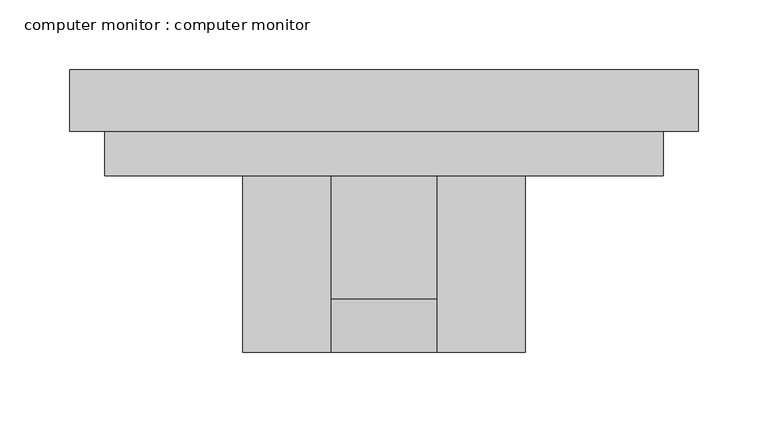
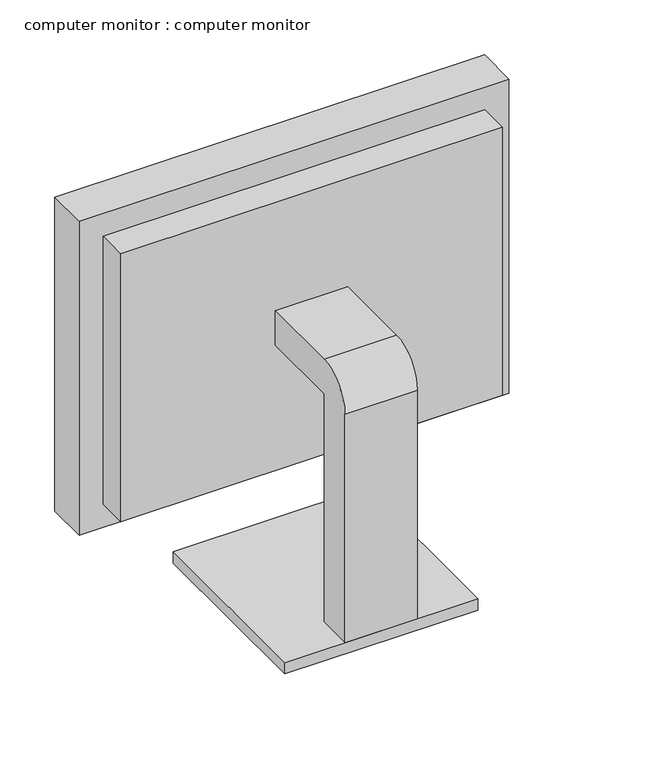
"""IFC4 building model written with IfcOpenShell, lengths in millimetres: furniture geometry, computer monitor : computer monitor."""

from ifc_helpers import new_model, si_unit, point, frame, frame_2d, origin, place, context, project, spatial, polyline, circle_curve, trimmed, segment, composite_curve, outline, extrude, faceted_brep, source, transform, mapped, element, save


def computer_monitor_computer_monitor_e317a7cc(model_context):
    return source(origin(), model_context, "Body", "SolidModel", [
        extrude(outline(composite_curve([segment(trimmed(circle_curve(frame_2d((-187.2, 906.7)), 38.1), [point((-225.3, 906.7))], [point((-187.2, 944.8))], False, "CARTESIAN"), True, "CONTINUOUS"), segment(polyline([(-187.2, 944.8), (-98.3, 944.8), (-98.3, 906.7), (-187.2, 906.7), (-187.2, 652.7), (-225.3, 652.7), (-225.3, 906.7)]), True, "CONTINUOUS")], self_intersect=False)), frame((-175.6, 0.0, 0.0), z_axis=(1.0, 0.0, 0.0), x_axis=(0.0, 1.0, 0.0)), (0.0, 0.0, 1.0), 76.2),
        extrude(outline(polyline([(-35.9, -22.1), (-35.9, -225.3), (-239.1, -225.3), (-239.1, -22.1), (-35.9, -22.1)])), frame((0.0, 0.0, 640.0), z_axis=(0.0, 0.0, 1.0), x_axis=(1.0, 0.0, 0.0)), (0.0, 0.0, 1.0), 12.7),
        extrude(outline(polyline([(75.8699219, -28.45), (75.8699219, -60.2), (-350.8699219, -60.2), (-350.8699219, -28.45), (75.8699219, -28.45)])), frame((0.0, 0.0, 773.35), z_axis=(0.0, 0.0, 1.0), x_axis=(1.0, 0.0, 0.0)), (0.0, 0.0, 1.0), 304.8),
        faceted_brep([(88.5699219, -22.1, 741.6), (-363.5699219, -22.1, 741.6), (-363.5699219, -22.1, 1090.85), (88.5699219, -22.1, 1090.85), (75.8699219, -22.1, 773.35), (75.8699219, -22.1, 1078.15), (-350.8699219, -22.1, 1078.15), (-350.8699219, -22.1, 773.35), (88.5699219, -66.55, 1090.85), (88.5699219, -66.55, 741.6), (-363.5699219, -66.55, 1090.85), (-363.5699219, -66.55, 741.6), (-350.8699219, -60.2, 773.35), (75.8699219, -60.2, 773.35), (-350.8699219, -60.2, 1078.15), (75.8699219, -60.2, 1078.15), (63.1699219, -98.3, 1065.45), (-338.1699219, -98.3, 1065.45), (-338.1699219, -98.3, 767.0), (63.1699219, -98.3, 767.0), (63.1699219, -66.55, 767.0), (63.1699219, -66.55, 1065.45), (-338.1699219, -66.55, 767.0), (-338.1699219, -66.55, 1065.45)], [[[0, 1, 2, 3], [4, 5, 6, 7]], [[3, 8, 9, 0]], [[2, 10, 8, 3]], [[1, 11, 10, 2]], [[9, 11, 1, 0]], [[7, 12, 13, 4]], [[6, 14, 12, 7]], [[5, 15, 14, 6]], [[4, 13, 15, 5]], [[12, 14, 15, 13]], [[16, 17, 18, 19]], [[16, 19, 20, 21]], [[19, 18, 22, 20]], [[18, 17, 23, 22]], [[8, 10, 11, 9], [20, 22, 23, 21]], [[21, 23, 17, 16]]]),
    ])


if __name__ == "__main__":
    model = new_model("IFC4")
    model_context = context("Model", 3, world=origin())
    ifc_project = project(units=[si_unit("LENGTHUNIT", "METRE", prefix="MILLI")], contexts=[model_context])
    site = spatial("IfcSite", under=ifc_project)
    building = spatial("IfcBuilding", under=site)
    placement = place(None, origin())
    computer_monitor_computer_monitor_shape = computer_monitor_computer_monitor_e317a7cc(model_context)
    element("IfcFurniture", 1, ObjectType="computer monitor : computer monitor", at=placement, inside=building, context=model_context, shape_type="MappedRepresentation", body=[
        mapped(computer_monitor_computer_monitor_shape, transform((0.0, 0.0, 0.0), x_axis=(1.0, 0.0, 0.0), y_axis=(0.0, 1.0, 0.0), z_axis=(0.0, 0.0, 1.0))),
    ])
    save(model, "model.ifc")
